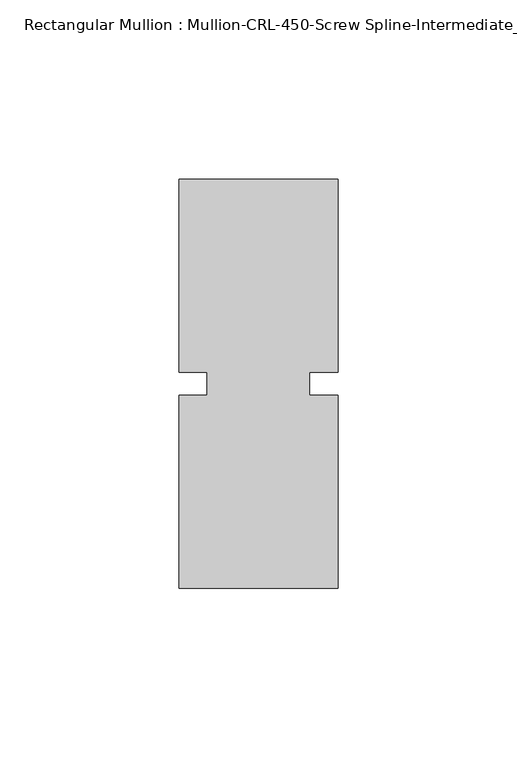
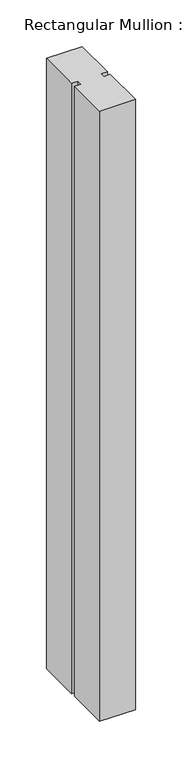
"""IFC4 building model written with IfcOpenShell, lengths in millimetres: member geometry, Rectangular Mullion : Mullion-CRL-450-Screw Spline-Intermediate_Vertical."""

from ifc_helpers import new_model, si_unit, frame, origin, place, context, project, spatial, polyline, outline, extrude, source, transform, mapped, element, save


def rectangular_mullion_mullion_crl_450_screw_spline_51fc490f(model_context):
    return source(origin(), model_context, "Body", "SweptSolid", [
        extrude(outline(polyline([(-22.2250071, -3.175), (-14.2875071, -3.175), (-14.2875071, 3.175), (-22.2250071, 3.175), (-22.2250071, 57.15), (22.2250071, 57.15), (22.2250071, 3.175), (14.2875071, 3.175), (14.2875071, -3.175), (22.2250071, -3.175), (22.2250071, -57.15), (-22.2250071, -57.15), (-22.2250071, -3.175)])), frame((0.0, 0.0, -800.1), z_axis=(0.0, 0.0, 1.0), x_axis=(1.0, 0.0, 0.0)), (0.0, 0.0, 1.0), 800.1),
    ])


if __name__ == "__main__":
    model = new_model("IFC4")
    model_context = context("Model", 3, world=origin())
    ifc_project = project(units=[si_unit("LENGTHUNIT", "METRE", prefix="MILLI")], contexts=[model_context])
    site = spatial("IfcSite", under=ifc_project)
    building = spatial("IfcBuilding", under=site)
    placement = place(None, origin())
    rectangular_mullion_mullion_crl_450_screw_spline_shape = rectangular_mullion_mullion_crl_450_screw_spline_51fc490f(model_context)
    element("IfcMember", 1, ObjectType="Rectangular Mullion : Mullion-CRL-450-Screw Spline-Intermediate_Vertical", at=placement, inside=building, context=model_context, shape_type="MappedRepresentation", body=[
        mapped(rectangular_mullion_mullion_crl_450_screw_spline_shape, transform((0.0, 0.0, 0.0), x_axis=(1.0, 0.0, 0.0), y_axis=(0.0, 1.0, 0.0), z_axis=(0.0, 0.0, 1.0))),
    ])
    save(model, "model.ifc")
